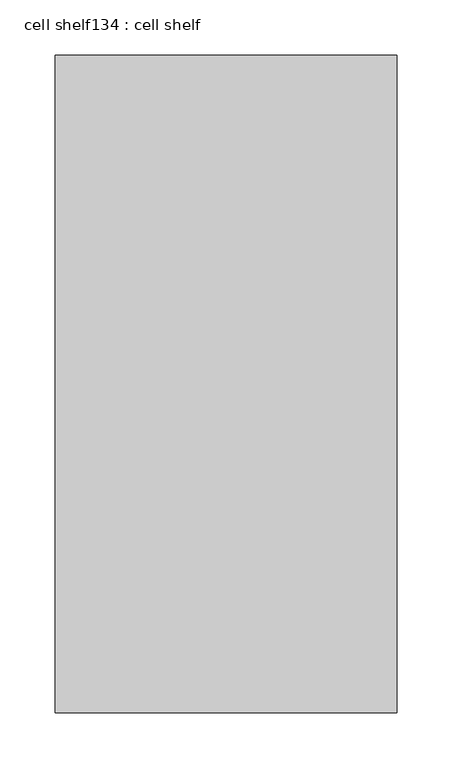
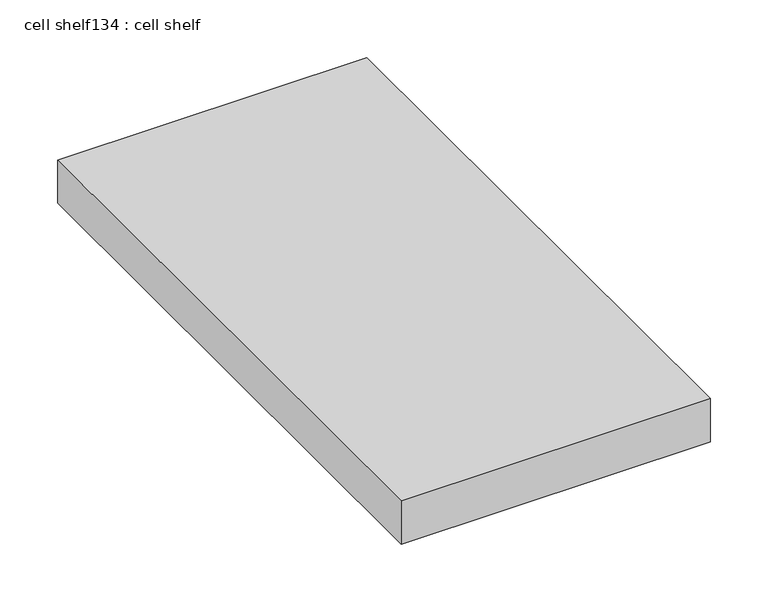
"""IFC4 building model written with IfcOpenShell, lengths in millimetres: proxy geometry, cell shelf134 : cell shelf."""

from ifc_helpers import new_model, si_unit, frame, origin, place, context, project, spatial, polyline, outline, extrude, source, transform, mapped, element, save


def cell_shelf134_cell_shelf_8fac7880(model_context):
    return source(origin(), model_context, "Body", "SweptSolid", [
        extrude(outline(polyline([(-123054.4407024, -30575.4281598), (-123054.4407024, -29980.3417641), (-122745.0929059, -29980.3417641), (-122745.0929059, -30575.4281598), (-123054.4407024, -30575.4281598)])), frame((0.0, 0.0, 1320.0941517), z_axis=(0.0, 0.0, 1.0), x_axis=(1.0, 0.0, 0.0)), (0.0, 0.0, 1.0), 45.8133004),
    ])


if __name__ == "__main__":
    model = new_model("IFC4")
    model_context = context("Model", 3, world=origin())
    ifc_project = project(units=[si_unit("LENGTHUNIT", "METRE", prefix="MILLI")], contexts=[model_context])
    site = spatial("IfcSite", under=ifc_project)
    building = spatial("IfcBuilding", under=site)
    placement = place(None, origin())
    cell_shelf134_cell_shelf_shape = cell_shelf134_cell_shelf_8fac7880(model_context)
    element("IfcBuildingElementProxy", 1, Name="cell shelf134 : cell shelf", ObjectType="cell shelf134 : cell shelf", at=placement, inside=building, context=model_context, shape_type="MappedRepresentation", body=[
        mapped(cell_shelf134_cell_shelf_shape, transform((0.0, 0.0, 0.0), x_axis=(1.0, 0.0, 0.0), y_axis=(0.0, 1.0, 0.0), z_axis=(0.0, 0.0, 1.0))),
    ])
    save(model, "model.ifc")
